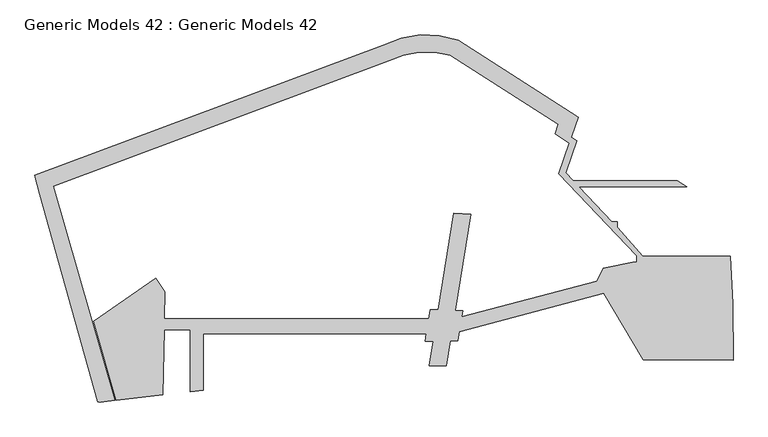
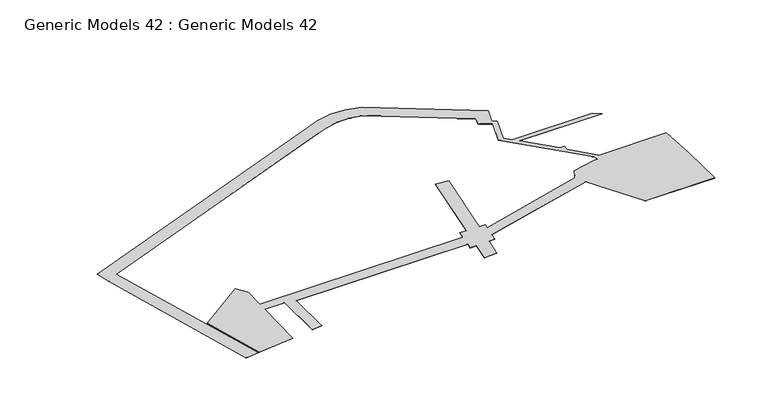
"""IFC4 building model written with IfcOpenShell, lengths in millimetres: proxy geometry, Generic Models 42 : Generic Models 42."""

from ifc_helpers import new_model, si_unit, point, frame_2d, origin, origin_with_axes, place, context, project, spatial, polyline, circle_curve, trimmed, segment, composite_curve, outline, extrude, source, transform, mapped, element, save


def generic_models_42_generic_models_42_153e6436(model_context):
    return source(origin(), model_context, "Body", "SweptSolid", [
        extrude(outline(composite_curve([segment(polyline([(-433427.5332217, -123867.6913144), (-441926.7985939, -124830.6650118), (-441926.7985939, -83766.6030536), (-459411.1690256, -83728.0251567), (-460247.0089394, -126906.3597832), (-491046.972809, -130396.0208056), (-505963.7926616, -78189.362774), (-464876.0296784, -49466.1511507), (-458920.1926059, -58364.8479144), (-459263.8256527, -76116.459771), (-283949.7125938, -76498.2059832), (-282956.1716366, -70316.7083102), (-277562.6795072, -70502.7301523), (-267249.6178278, -6338.1214213), (-256222.7444824, -7224.565128), (-266466.7634269, -70857.9574), (-261256.7870622, -70954.5613057), (-261943.686521, -75074.2893106), (-172671.616844, -51483.1759628), (-168112.7940018, -42905.9359957), (-148628.4765803, -38974.4441626), (-146018.7939868, -38974.4441626), (-146018.7939868, -34686.410728), (-197671.0661265, 19591.7202392), (-190729.7519377, 39993.4475125), (-200244.6595121, 46178.4371719), (-198084.5428192, 52527.3950854), (-269733.135914, 98438.3641342)]), True, "CONTINUOUS"), segment(trimmed(circle_curve(frame_2d((-285115.581867, 42623.1185603)), 57896.1249305), [point((-269733.135914, 98438.3641342))], [point((-310507.5972435, 94653.9443954))], True, "CARTESIAN"), True, "CONTINUOUS"), segment(polyline([(-310507.5972435, 94653.9443954), (-532736.3402041, 11580.7619702), (-492026.9211867, -130507.0497559), (-501584.3790014, -131589.91752)]), True, "CONTINUOUS"), segment(trimmed(circle_curve(frame_2d((-501922.1205538, -128608.9897041)), 3000.0), [point((-501584.3790014, -131589.91752))], [point((-503224.4361221, -131311.5762726))], False, "CARTESIAN"), True, "CONTINUOUS"), segment(polyline([(-503224.4361221, -131311.5762726), (-542001.2850237, 6211.4932711), (-545049.2461195, 18721.4192828), (-314170.5625232, 105028.1082601)]), True, "CONTINUOUS"), segment(trimmed(circle_curve(frame_2d((-285794.9847622, 50016.7520805)), 61898.487235), [point((-314170.5625232, 105028.1082601))], [point((-264453.3790729, 108119.7519049))], False, "CARTESIAN"), True, "CONTINUOUS"), segment(polyline([(-264453.3790729, 108119.7519049), (-184895.682758, 57140.7895089), (-189399.556898, 43903.1216295), (-185940.6353906, 41650.9633874), (-193210.0742399, 20284.8207808), (-188201.1439692, 15021.6688561), (-119114.8307679, 15021.6688561), (-112870.2975992, 11021.6688561), (-184394.3526455, 11021.6688561), (-162507.1521498, -11976.3876532), (-159018.7638563, -11976.3876532), (-159018.7638563, -15842.9586022), (-141959.7571075, -34974.4441626), (-83965.8072728, -34974.4441626), (-82292.5443786, -66281.8624586), (-82200.0343821, -103795.5119446), (-141836.6767498, -103387.7484202), (-167992.9592994, -59589.434874), (-263576.0347044, -84864.4127974), (-264593.3679285, -90965.9406408), (-269720.3739689, -91068.6068574), (-272365.0516924, -107496.7114836)]), True, "CONTINUOUS"), segment(trimmed(circle_curve(frame_2d((-273390.2047867, -382494.8006785)), 274999.9999995), [point((-272365.0516924, -107496.7114836))], [point((-283538.4546493, -107682.1135179))], True, "CARTESIAN"), True, "CONTINUOUS"), segment(polyline([(-283538.4546493, -107682.1135179), (-280904.1910321, -91292.5582583), (-286345.0937536, -91401.5101286), (-285522.7379511, -86285.0723587), (-433427.5332217, -86285.0723587), (-433427.5332217, -123867.6913144)]), True, "CONTINUOUS")], self_intersect=False)), origin_with_axes(), (0.0, 0.0, 1.0), 10.0),
    ])


if __name__ == "__main__":
    model = new_model("IFC4")
    model_context = context("Model", 3, world=origin())
    ifc_project = project(units=[si_unit("LENGTHUNIT", "METRE", prefix="MILLI")], contexts=[model_context])
    site = spatial("IfcSite", under=ifc_project)
    building = spatial("IfcBuilding", under=site)
    placement = place(None, origin())
    generic_models_42_generic_models_42_shape = generic_models_42_generic_models_42_153e6436(model_context)
    element("IfcBuildingElementProxy", 1, Name="Generic Models 42 : Generic Models 42", ObjectType="Generic Models 42 : Generic Models 42", at=placement, inside=building, context=model_context, shape_type="MappedRepresentation", body=[
        mapped(generic_models_42_generic_models_42_shape, transform((0.0, 0.0, 0.0), x_axis=(1.0, 0.0, 0.0), y_axis=(0.0, 1.0, 0.0), z_axis=(0.0, 0.0, 1.0))),
    ])
    save(model, "model.ifc")
